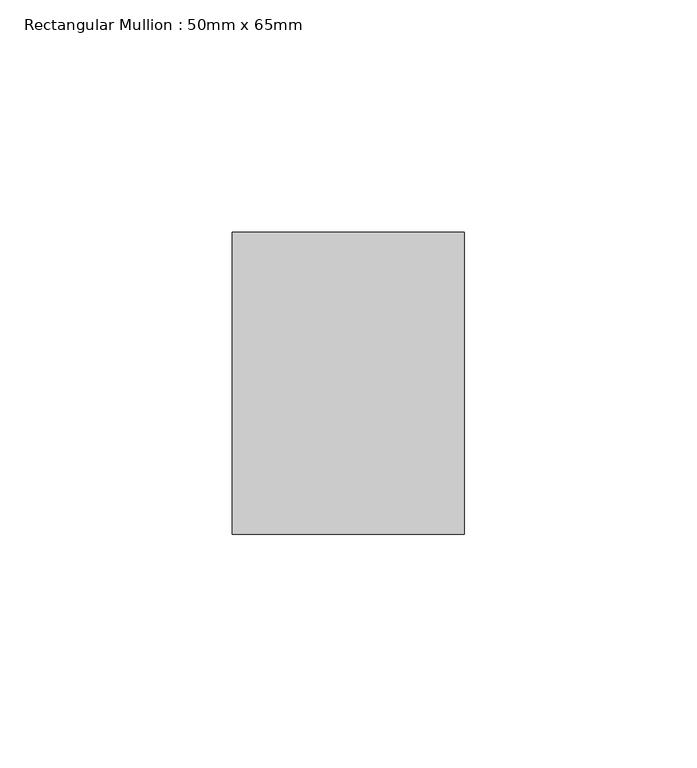
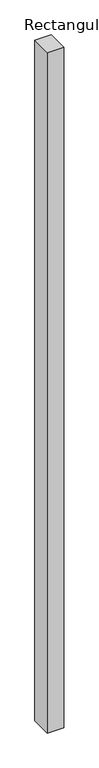
"""IFC4 building model written with IfcOpenShell, lengths in millimetres: member geometry, Rectangular Mullion : 50mm x 65mm."""

import ifcopenshell
import ifcopenshell.guid

model = None  # the IFC model being written
_history = None  # IfcOwnerHistory: only IFC2X3 demands one
_inside = {}  # id of a spatial element -> (the spatial element, [elements in it])
_under = {}  # id of a project, library or spatial element -> (it, [spatial elements below it])
_declared = {}  # id of a project -> (the project, [libraries it declares])
_typed = {}  # id of a type object -> (the type object, [elements of that type])
_made_of = {}  # id of a material, layer set ... -> (it, [elements and type objects made of it])


def new_model(schema):
    """Start an empty IFC model of exactly this schema.

    Asked for "IFC4X3", IfcOpenShell would pick the latest addendum, in which some entities
    have other attributes; the version numbers below select the first issue.
    IFC2X3 requires an IfcOwnerHistory on every rooted entity: one is made here for all.
    """
    global model, _history
    if schema == "IFC4X3":
        model = ifcopenshell.file(schema_version=(4, 3, 0, 0))
    else:
        model = ifcopenshell.file(schema=schema)
    _inside.clear()
    _under.clear()
    _declared.clear()
    _typed.clear()
    _made_of.clear()
    _history = None
    if model.schema == "IFC2X3":
        org = make("IfcOrganization", Name="unknown")
        user = make(
            "IfcPersonAndOrganization",
            ThePerson=make("IfcPerson", FamilyName="unknown"),
            TheOrganization=org,
        )
        app = make(
            "IfcApplication",
            ApplicationDeveloper=org,
            Version="unknown",
            ApplicationFullName="unknown",
            ApplicationIdentifier="unknown",
        )
        _history = make(
            "IfcOwnerHistory",
            OwningUser=user,
            OwningApplication=app,
            ChangeAction="ADDED",
            CreationDate=0,
        )
    return model


def make(cls, **values):
    """One entity of the class cls with the attributes given. An attribute that is None is left unset."""
    return model.create_entity(
        cls, **{name: value for name, value in values.items() if value is not None}
    )


def rooted(cls, **values):
    """An entity with a GlobalId (a new one), such as an element, a storey or a relation."""
    return make(cls, GlobalId=ifcopenshell.guid.new(), OwnerHistory=_history, **values)


def si_unit(unit_type, name, prefix=None):
    """IfcSIUnit, for example si_unit("LENGTHUNIT", "METRE", prefix="MILLI")."""
    return make("IfcSIUnit", UnitType=unit_type, Prefix=prefix, Name=name)


def assignment(units):
    """IfcUnitAssignment: the units of a project."""
    return None if units is None else make("IfcUnitAssignment", Units=units)


def point(xyz):
    """IfcCartesianPoint."""
    return None if xyz is None else make("IfcCartesianPoint", Coordinates=xyz)


def direction(xyz):
    """IfcDirection."""
    return None if xyz is None else make("IfcDirection", DirectionRatios=xyz)


def frame(location, z_axis=None, x_axis=None):
    """IfcAxis2Placement3D, a coordinate frame: its origin and axes. An axis left out is left unset."""
    return make(
        "IfcAxis2Placement3D",
        Location=point(location),
        Axis=direction(z_axis),
        RefDirection=direction(x_axis),
    )


def origin():
    """The frame at (0, 0, 0) with its axes left unset."""
    return frame((0.0, 0.0, 0.0))


def place(relative_to, where):
    """IfcLocalPlacement: puts the frame where relative to a parent placement (None: the world)."""
    return make(
        "IfcLocalPlacement", PlacementRelTo=relative_to, RelativePlacement=where
    )


def context(
    kind, dimensions, precision=None, world=None, true_north=None, identifier=None
):
    """IfcGeometricRepresentationContext, for example the 3D "Model" context."""
    return make(
        "IfcGeometricRepresentationContext",
        ContextIdentifier=identifier,
        ContextType=kind,
        CoordinateSpaceDimension=dimensions,
        Precision=precision,
        WorldCoordinateSystem=world,
        TrueNorth=true_north,
    )


def project(units=None, contexts=None):
    """IfcProject with its units and contexts."""
    return rooted(
        "IfcProject",
        Name="project",
        RepresentationContexts=contexts,
        UnitsInContext=assignment(units),
    )


def spatial(cls, under=None, at=None, **own):
    """A site, building, storey or space (cls), placed at a placement, below another one or the project."""
    s = rooted(cls, ObjectPlacement=at, **own)
    if under is not None:
        _under.setdefault(under.id(), (under, []))[1].append(s)
    return s


def polyline(points):
    """IfcPolyline through the points."""
    return make("IfcPolyline", Points=[point(p) for p in points])


def outline(outer, holes=None, kind="AREA"):
    """IfcArbitraryClosedProfileDef: a profile drawn as a closed curve; with holes, ...WithVoids."""
    if holes is None:
        return make("IfcArbitraryClosedProfileDef", ProfileType=kind, OuterCurve=outer)
    return make(
        "IfcArbitraryProfileDefWithVoids",
        ProfileType=kind,
        OuterCurve=outer,
        InnerCurves=holes,
    )


def extrude(swept, where, along, depth):
    """IfcExtrudedAreaSolid: the profile swept, set in the frame where, extruded along a direction by depth."""
    return make(
        "IfcExtrudedAreaSolid",
        SweptArea=swept,
        Position=where,
        ExtrudedDirection=direction(along),
        Depth=depth,
    )


def shape(context_of_items, identifier, shape_type, items):
    """IfcShapeRepresentation: the items that make up one representation, for example the "Body"."""
    return make(
        "IfcShapeRepresentation",
        ContextOfItems=context_of_items,
        RepresentationIdentifier=identifier,
        RepresentationType=shape_type,
        Items=items,
    )


def source(mapping_origin, context_of_items, identifier, shape_type, items):
    """IfcRepresentationMap: a shape defined once, which mapped items show again and again."""
    return make(
        "IfcRepresentationMap",
        MappingOrigin=mapping_origin,
        MappedRepresentation=shape(context_of_items, identifier, shape_type, items),
    )


def transform(
    local_origin,
    x_axis=None,
    y_axis=None,
    z_axis=None,
    scale=None,
    scale2=None,
    scale3=None,
    uniform=True,
):
    """IfcCartesianTransformationOperator3D, or its non-uniform kind. x_axis, y_axis, z_axis: its Axis1, 2, 3."""
    if uniform:
        return make(
            "IfcCartesianTransformationOperator3D",
            Axis1=direction(x_axis),
            Axis2=direction(y_axis),
            LocalOrigin=point(local_origin),
            Scale=scale,
            Axis3=direction(z_axis),
        )
    return make(
        "IfcCartesianTransformationOperator3DnonUniform",
        Axis1=direction(x_axis),
        Axis2=direction(y_axis),
        LocalOrigin=point(local_origin),
        Scale=scale,
        Axis3=direction(z_axis),
        Scale2=scale2,
        Scale3=scale3,
    )


def mapped(mapping_source, mapping_target):
    """IfcMappedItem: shows the shape of a source again, moved by a transform."""
    return make(
        "IfcMappedItem", MappingSource=mapping_source, MappingTarget=mapping_target
    )


def made_of(thing, what):
    """Note that an element or type object is made of a material, layer set ...; save() writes the relation."""
    if what is not None:
        _made_of.setdefault(what.id(), (what, []))[1].append(thing)
    return thing


def element(
    cls,
    number,
    at=None,
    inside=None,
    cuts=None,
    type_object=None,
    material=None,
    context=None,
    identifier="Body",
    shape_type=None,
    held_by="IfcProductDefinitionShape",
    body=None,
    shapes=None,
    **own,
):
    """One element of the class cls, such as IfcWall. Its Tag is "e" and its number.

    at: its placement. inside: the storey or other place that contains it. cuts: it is an
    opening in that element (IfcRelVoidsElement). A single representation is given by context,
    identifier, shape_type and body (its items); several are given by shapes. held_by: the class
    of the entity that holds the representations. save() writes the other relations.
    """
    e = rooted(cls, Tag="e%d" % number, ObjectPlacement=at, **own)
    if body is not None:
        shapes = [shape(context, identifier, shape_type, body)]
    if shapes is not None:
        e.Representation = make(held_by, Representations=shapes)
    if inside is not None:
        _inside.setdefault(inside.id(), (inside, []))[1].append(e)
    if cuts is not None:
        rooted(
            "IfcRelVoidsElement", RelatingBuildingElement=cuts, RelatedOpeningElement=e
        )
    if type_object is not None:
        _typed.setdefault(type_object.id(), (type_object, []))[1].append(e)
    return made_of(e, material)


def aggregate(whole, parts):
    """IfcRelAggregates: a whole, such as a stair, and the parts it consists of."""
    return rooted("IfcRelAggregates", RelatingObject=whole, RelatedObjects=parts)


def save(model, path):
    """Write the relations noted so far, then the file.

    IfcRelAggregates (storeys below a building ...), IfcRelContainedInSpatialStructure (elements
    in a storey), IfcRelDefinesByType, IfcRelAssociatesMaterial and IfcRelDeclares: one each for
    every whole, place, type object, material and project.
    """
    for whole, parts in _under.values():
        aggregate(whole, parts)
    for where, things in _inside.values():
        rooted(
            "IfcRelContainedInSpatialStructure",
            RelatedElements=things,
            RelatingStructure=where,
        )
    for kind, things in _typed.values():
        rooted("IfcRelDefinesByType", RelatedObjects=things, RelatingType=kind)
    for what, things in _made_of.values():
        rooted("IfcRelAssociatesMaterial", RelatedObjects=things, RelatingMaterial=what)
    for by, libraries in _declared.values():
        rooted("IfcRelDeclares", RelatingContext=by, RelatedDefinitions=libraries)
    model.write(path)


def rectangular_mullion_50mm_x_65mm_50009696(model_context):
    return source(origin(), model_context, "Body", "SweptSolid", [
        extrude(outline(polyline([(25.0, 32.5), (25.0, -32.5), (-25.0, -32.5), (-25.0, 32.5), (25.0, 32.5)])), frame((0.0, 0.0, -2186.9747149), z_axis=(0.0, 0.0, 1.0), x_axis=(1.0, 0.0, 0.0)), (0.0, 0.0, 1.0), 2186.9747149),
    ])


if __name__ == "__main__":
    model = new_model("IFC4")
    model_context = context("Model", 3, world=origin())
    ifc_project = project(units=[si_unit("LENGTHUNIT", "METRE", prefix="MILLI")], contexts=[model_context])
    site = spatial("IfcSite", under=ifc_project)
    building = spatial("IfcBuilding", under=site)
    placement = place(None, origin())
    rectangular_mullion_50mm_x_65mm_shape = rectangular_mullion_50mm_x_65mm_50009696(model_context)
    element("IfcMember", 1, ObjectType="Rectangular Mullion : 50mm x 65mm", at=placement, inside=building, context=model_context, shape_type="MappedRepresentation", body=[
        mapped(rectangular_mullion_50mm_x_65mm_shape, transform((0.0, 0.0, 0.0), x_axis=(1.0, 0.0, 0.0), y_axis=(0.0, 1.0, 0.0), z_axis=(0.0, 0.0, 1.0))),
    ])
    save(model, "model.ifc")
